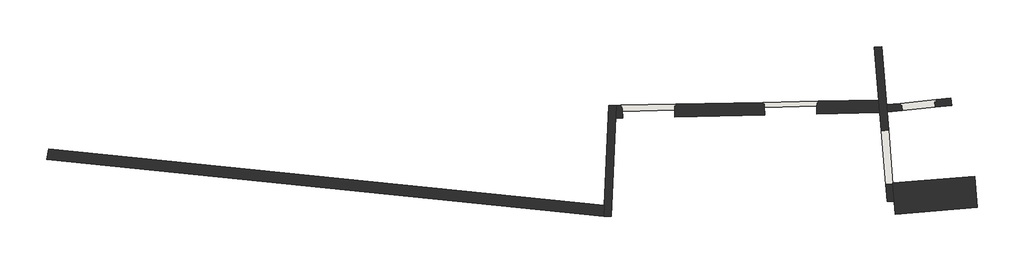
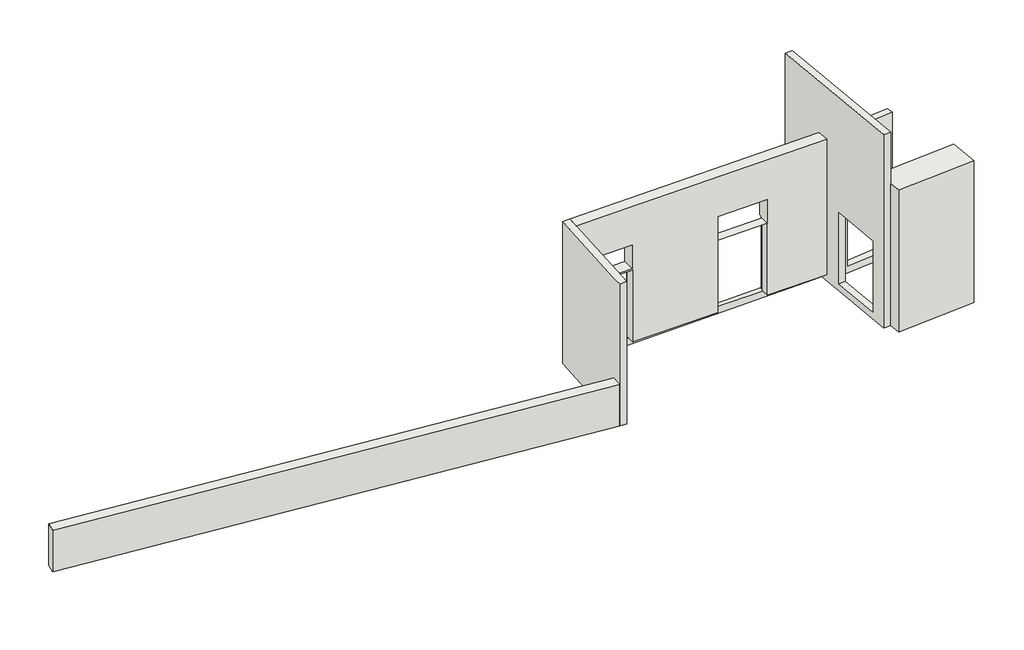
# One storey, part 1 of 3: 6 walls.
"""IFC4 building model written with IfcOpenShell, lengths in millimetres."""

from ifc_helpers import new_model, si_unit, point, frame, frame_2d, origin, place, context, project, spatial, polyline, circle_curve, trimmed, segment, composite_curve, outline, extrude, faceted_brep, element, save
from ifc_brep_helpers import plane_surface, cylinder_surface, advanced_brep

model = new_model("IFC4")

# Units and contexts
model_context = context("Model", 3, world=origin())
ifc_project = project(units=[si_unit("LENGTHUNIT", "METRE", prefix="MILLI")], contexts=[model_context])

# Site, building, storey
site = spatial("IfcSite", under=ifc_project)
building = spatial("IfcBuilding", under=site)
storey = spatial("IfcBuildingStorey", under=building, Elevation=-8200.0)

# Walls
placement = place(None, origin())
element("IfcWall", 1, at=placement, inside=storey, context=model_context, shape_type="AdvancedBrep", body=[
    advanced_brep(
    [(-1890.0272757, 1280.8710596, -8200.0), (-1763.4774043, 4131.8339505, -8200.0), (-1755.7370189, 4306.2122513, -8200.0), (-1755.7370189, 4306.2122513, -3950.0), (-1771.2904477, 3955.8187826, -3950.0), (-1890.0272757, 1280.8710596, -3950.0), (-2090.1047863, 1283.5615353, -8200.0), (-2090.1047863, 1283.5615353, -6950.0), (-2090.1047863, 1283.5615353, -4350.0), (-2090.1047863, 1283.5615353, -3950.0), (-2076.7954218, 1583.3998811, -3950.0), (-1956.1167192, 4302.0948835, -3950.0), (-1956.1167192, 4302.0948835, -8200.0), (-2076.7954269, 1583.3997669, -8200.0)],
    [
        (0, 1),
        (1, 2),
        (2, 3),
        (3, 4),
        (4, 5),
        (5, 0),
        (6, 7),
        (7, 8),
        (8, 9),
        (9, 10),
        (10, 11),
        (11, 12),
        (12, 13),
        (13, 6),
        (0, 6, circle_curve(frame((-809.2015244, 89097.3275321, -8200.0), z_axis=(0.0, 0.0, -1.0), x_axis=(1.0, 0.0, 0.0)), 87823.1075042)),
        (12, 2),
        (3, 11),
        (9, 5, circle_curve(frame((-809.2015244, 89097.3275321, -3950.0), z_axis=(0.0, 0.0, 1.0), x_axis=(1.0, 0.0, 0.0)), 87823.1075042)),
    ],
    [
        plane_surface(frame((-1881.3539037, 1476.268033, -8200.0), z_axis=(0.99901628545863, -0.04434480114332784, 0.0), x_axis=(0.04434480114332784, 0.99901628545863, 0.0))),
        plane_surface(frame((-2081.1571608, 1485.1369933, -8200.0), z_axis=(-0.99901628545863, 0.04434480114332784, 0.0), x_axis=(-0.04434480114332784, -0.99901628545863, 0.0))),
        plane_surface(frame((-1883.5120256, 1427.6490535, -8200.0), z_axis=(0.0, 0.0, -1.0), x_axis=(-0.99901628545863, 0.044344801143327395, 0.0))),
        plane_surface(frame((-1763.8019549, 4124.5223529, -3950.0), z_axis=(0.0, 0.0, 1.0), x_axis=(-0.99901628545863, 0.044344801143327395, 0.0))),
        plane_surface(frame((-1997.6601886, 4301.2412553, -8200.0), z_axis=(-0.020543492911438144, 0.9997889601805962, 0.0), x_axis=(-0.9997889601805962, -0.020543492911438144, 0.0))),
        cylinder_surface(frame((-809.2015244, 89097.3275321, -8200.0), z_axis=(0.0, 0.0, 1.0), x_axis=(1.0, 0.0, 0.0)), 87823.1075042),
    ],
    [
        (0, [[1, 2, 3, 4, 5, 6]]),
        (1, [[7, 8, 9, 10, 11, 12, 13, 14]]),
        (2, [[-2, -1, 15, -14, -13, 16]]),
        (3, [[-5, -4, 17, -11, -10, 18]]),
        (4, [[-3, -16, -12, -17]]),
        (5, [[-6, -18, -9, -8, -7, -15]]),
    ],
),
])
element("IfcWall", 2, at=placement, inside=storey, context=model_context, shape_type="Brep", body=[
    faceted_brep([(5411.0743062, 4103.4007877, -3950.0), (117.8920691, 3994.6373825, -3950.0), (-7.1079309, 3992.0689039, -3950.0), (-1771.2904477, 3955.8187826, -3950.0), (-1771.2904477, 3955.8187826, -8000.0), (-1581.5922871, 3959.716668, -8000.0), (-1581.5922871, 3959.716668, -5840.0), (-161.8919637, 3988.888428, -5840.0), (-161.8919637, 3988.888428, -8000.0), (-7.1079309, 3992.0689039, -8000.0), (117.8920691, 3994.6373825, -8000.0), (2282.6545308, 4039.1185521, -8000.0), (2282.6545308, 4039.1185521, -5840.0), (3702.3548542, 4068.290312, -5840.0), (3702.3548542, 4068.290312, -8000.0), (5411.0743062, 4103.4007877, -8000.0), (-1571.5943975, 3959.922103, -5795.691556), (-1571.5943975, 3959.922103, -5095.691556), (-171.8898533, 3988.682993, -5095.691556), (-171.8898533, 3988.682993, -5795.691556), (2292.6524204, 4039.323987, -5834.3455201), (2292.6524204, 4039.323987, -5134.3455201), (3692.3569646, 4068.0848771, -5134.3455201), (3692.3569646, 4068.0848771, -5834.3455201), (5382.2307444, 4452.8819946, -8200.0), (-1755.7370189, 4306.2122513, -8200.0), (-1755.7370189, 4306.2122513, -3950.0), (5382.2307444, 4452.8819946, -3950.0), (-1578.7846201, 4309.848239, -5095.691556), (-1578.7846201, 4309.848239, -5795.691556), (-179.0800758, 4338.6091291, -5795.691556), (-179.0800758, 4338.6091291, -5095.691556), (2285.4621979, 4389.2501231, -5134.3455201), (2285.4621979, 4389.2501231, -5800.0), (2235.4727498, 4388.2229485, -5800.0), (2235.4727498, 4388.2229485, -8000.0), (3735.1561901, 4419.0381878, -8000.0), (3735.1561901, 4419.0381878, -5800.0), (3685.1667421, 4418.0110132, -5800.0), (3685.1667421, 4418.0110132, -5134.3455201), (-1628.7740681, 4308.8210644, -8000.0), (-129.0906278, 4339.6363037, -8000.0), (-129.0906278, 4339.6363037, -5800.0), (-1628.7740681, 4308.8210644, -5800.0), (5391.7754303, 4337.2344068, -8200.0), (5162.6768099, 4330.6578451, -8200.0), (-1763.4774043, 4131.8339505, -8200.0), (5391.7754303, 4337.2344068, -8000.0), (-1586.7281604, 4209.6639081, -5840.0), (-167.0278369, 4238.835668, -5840.0), (2277.5186575, 4289.0657921, -5840.0), (3697.218981, 4318.2375521, -5840.0), (-1763.4774043, 4131.8339505, -8000.0), (-1585.2340607, 4136.950648, -8000.0), (-165.7715924, 4177.6980884, -8000.0), (2278.3653453, 4247.8600874, -8000.0), (3697.8278137, 4288.6075278, -8000.0), (2287.5165471, 4289.2712271, -5834.3455201), (2287.5165471, 4289.2712271, -5830.0), (2286.4893725, 4339.2606751, -5830.0), (2286.4893725, 4339.2606751, -5800.0), (3686.1939168, 4368.0215652, -5800.0), (3686.1939168, 4368.0215652, -5830.0), (3687.2210914, 4318.0321172, -5830.0), (3687.2210914, 4318.0321172, -5834.3455201), (-167.0278369, 4238.835668, -8000.0), (-157.0299473, 4239.0411029, -8000.0), (-158.057122, 4289.030551, -8000.0), (-128.0634531, 4289.6468557, -8000.0), (-1627.7468934, 4258.8316164, -8000.0), (-1597.7532246, 4259.4479212, -8000.0), (-1596.72605, 4209.4584731, -8000.0), (-1586.7281604, 4209.6639081, -8000.0), (-128.0634531, 4289.6468557, -5800.0), (-158.057122, 4289.030551, -5830.0), (-1597.7532246, 4259.4479212, -5830.0), (-1627.7468934, 4258.8316164, -5800.0), (-1596.72605, 4209.4584731, -5830.0), (-157.0299473, 4239.0411029, -5830.0), (3697.218981, 4318.2375521, -8000.0), (3707.2168706, 4318.442987, -8000.0), (3706.189696, 4368.432435, -8000.0), (3736.1833648, 4369.0487398, -8000.0), (2236.4999245, 4338.2335004, -8000.0), (2266.4935933, 4338.8498052, -8000.0), (2267.5207679, 4288.8603572, -8000.0), (2277.5186575, 4289.0657921, -8000.0), (3736.1833648, 4369.0487398, -5800.0), (3706.189696, 4368.432435, -5830.0), (2236.4999245, 4338.2335004, -5800.0), (2266.4935933, 4338.8498052, -5830.0), (2267.5207679, 4288.8603572, -5830.0), (3707.2168706, 4318.442987, -5830.0)], [[[0, 1, 2, 3, 4, 5, 6, 7, 8, 9, 10, 11, 12, 13, 14, 15], [16, 17, 18, 19], [20, 21, 22, 23]], [[24, 25, 26, 27], [28, 29, 30, 31], [32, 33, 34, 35, 36, 37, 38, 39], [40, 41, 42, 43]], [[25, 24, 44, 45, 46]], [[3, 2, 1, 0, 27, 26]], [[24, 27, 0, 15, 47, 44]], [[7, 6, 48, 49]], [[13, 12, 50, 51]], [[3, 26, 25, 46, 52, 4]], [[52, 53, 5, 4]], [[54, 55, 11, 10, 9, 8]], [[56, 47, 15, 14]], [[55, 54, 53, 52, 46, 45, 44, 47, 56]], [[17, 16, 29, 28]], [[18, 17, 28, 31]], [[19, 18, 31, 30]], [[16, 19, 30, 29]], [[20, 57, 58, 59, 60, 33, 32, 21]], [[21, 32, 39, 22]], [[22, 39, 38, 61, 62, 63, 64, 23]], [[57, 20, 23, 64]], [[65, 66, 67, 68, 41, 40, 69, 70, 71, 72, 53, 54]], [[49, 65, 54, 8, 7]], [[72, 48, 6, 5, 53]], [[73, 68, 67, 74, 75, 70, 69, 76]], [[71, 70, 75, 77]], [[77, 78, 66, 65, 49, 48, 72, 71]], [[76, 69, 40, 43]], [[78, 77, 75, 74]], [[73, 76, 43, 42]], [[74, 67, 66, 78]], [[68, 73, 42, 41]], [[79, 80, 81, 82, 36, 35, 83, 84, 85, 86, 55, 56]], [[51, 79, 56, 14, 13]], [[86, 50, 12, 11, 55]], [[87, 82, 81, 88, 62, 61]], [[83, 89, 60, 59, 90, 84]], [[85, 84, 90, 91]], [[51, 50, 86, 85, 91, 58, 57, 64, 63, 92, 80, 79]], [[89, 83, 35, 34]], [[91, 90, 59, 58]], [[88, 92, 63, 62]], [[89, 34, 33, 60]], [[37, 87, 61, 38]], [[88, 81, 80, 92]], [[82, 87, 37, 36]]]),
])
element("IfcWall", 3, at=placement, inside=storey, context=model_context, shape_type="SweptSolid", body=[
    extrude(outline(composite_curve([segment(polyline([(-17245.7217881, 2826.0170441), (-17189.575334, 3120.7161715)]), True, "CONTINUOUS"), segment(trimmed(circle_curve(frame_2d((-809.2015244, 89097.3275321)), 87523.1075042), [point((-17189.575334, 3120.7161715))], [point((-2076.7954269, 1583.3997669))], True, "CARTESIAN"), True, "CONTINUOUS"), segment(polyline([(-2076.7954269, 1583.3997669), (-2090.1047863, 1283.5615353)]), True, "CONTINUOUS"), segment(trimmed(circle_curve(frame_2d((-809.2015244, 89097.3275321)), 87823.1075042), [point((-2090.1047863, 1283.5615353))], [point((-17245.7217881, 2826.0170441))], False, "CARTESIAN"), True, "CONTINUOUS")], self_intersect=False)), frame((0.0, 0.0, -8200.0), z_axis=(0.0, 0.0, 1.0), x_axis=(1.0, 0.0, 0.0)), (0.0, 0.0, 1.0), 1250.0),
])
element("IfcWall", 4, ObjectType="Generico - 20 cm", at=placement, inside=storey, context=model_context, shape_type="Brep", body=[
    faceted_brep([(5810.9324519, 1690.0713441, -8200.0), (5769.9881158, 2186.1708249, -8200.0), (5610.2664391, 4121.4285029, -8200.0), (5593.8125362, 4320.7911854, -8200.0), (5479.1101672, 5710.5752451, -8200.0), (5462.6595896, 5909.8976372, -8200.0), (5462.6595896, 5909.8976372, -2409.3878511), (5810.9324519, 1690.0713441, -2409.3878511), (5810.9324519, 1690.0713441, -3950.0), (5810.9324519, 1690.0713441, -8000.0), (5651.0089213, 3627.7747723, -8000.0), (5771.9206103, 2162.755877, -8000.0), (5771.9206103, 2162.755877, -5865.0), (5651.0089213, 3627.7747723, -5865.0), (5610.8262393, 1683.1190187, -8200.0), (5610.8262393, 1683.1190187, -2409.3878511), (5263.3213633, 5893.6400527, -2409.3878511), (5263.3213633, 5893.6400527, -8200.0), (5382.2307444, 4452.8819946, -8200.0), (5391.7754303, 4337.2344068, -8200.0), (5451.6866226, 3611.3242023, -8000.0), (5451.6866226, 3611.3242023, -5865.0), (5572.5983116, 2146.3053071, -5865.0), (5572.5983116, 2146.3053071, -8000.0)], [[[0, 1, 2, 3, 4, 5, 6, 7, 8, 9], [10, 11, 12, 13]], [[14, 15, 16, 17, 18, 19], [20, 21, 22, 23]], [[5, 4, 3, 2, 1, 0, 14, 19, 18, 17]], [[7, 6, 16, 15]], [[6, 5, 17, 16]], [[0, 9, 8, 7, 15, 14]], [[21, 20, 10, 13]], [[22, 21, 13, 12]], [[23, 22, 12, 11]], [[20, 23, 11, 10]]]),
])
element("IfcWall", 5, ObjectType="Generico - 20 cm", at=placement, inside=storey, context=model_context, shape_type="Brep", body=[
    faceted_brep([(5610.2664391, 4121.4285029, -8200.0), (7364.9806988, 4301.8732531, -8200.0), (7364.9806988, 4301.8732531, -3950.0), (5610.2664391, 4121.4285029, -3950.0), (6030.0158731, 4164.5931272, -5900.0), (6925.2945869, 4256.6584552, -5900.0), (6925.2945869, 4256.6584552, -8000.0), (6030.0158731, 4164.5931272, -8000.0), (7344.521737, 4500.8240784, -8200.0), (5593.8125362, 4320.7911854, -8200.0), (5593.8125362, 4320.7911854, -3950.0), (7344.521737, 4500.8240784, -3950.0), (5964.7929757, 4358.9406861, -8000.0), (6949.5995608, 4460.2125469, -8000.0), (6949.5995608, 4460.2125469, -5855.0), (5964.7929757, 4358.9406861, -5855.0), (6015.6945999, 4303.8587049, -5900.0), (6910.9733137, 4395.9240329, -5900.0), (5970.9306642, 4299.2554385, -8000.0), (6015.6945999, 4303.8587049, -8000.0), (6910.9733137, 4395.9240329, -8000.0), (6955.7372494, 4400.5272993, -8000.0), (5970.9306642, 4299.2554385, -5855.0), (6955.7372494, 4400.5272993, -5855.0)], [[[0, 1, 2, 3], [4, 5, 6, 7]], [[8, 9, 10, 11], [12, 13, 14, 15]], [[1, 0, 9, 8]], [[2, 1, 8, 11]], [[3, 2, 11, 10]], [[0, 3, 10, 9]], [[4, 16, 17, 5]], [[12, 18, 19, 7, 6, 20, 21, 13]], [[16, 4, 7, 19]], [[5, 17, 20, 6]], [[17, 16, 19, 18, 22, 23, 21, 20]], [[18, 12, 15, 22]], [[23, 22, 15, 14]], [[13, 21, 23, 14]]]),
])
element("IfcWall", 6, ObjectType="Generico - 85 cm", at=placement, inside=storey, context=model_context, shape_type="Brep", body=[
    faceted_brep([(7998.5249332, 2370.4192676, -8200.0), (5769.9881158, 2186.1708249, -8200.0), (5769.9881158, 2186.1708249, -3950.0), (7998.5249332, 2370.4192676, -3950.0), (8068.5613124, 1523.3095312, -8200.0), (8068.5613124, 1523.3095312, -3950.0), (5839.9030387, 1339.0510468, -3950.0), (5839.9030387, 1339.0510468, -8200.0), (5810.9324519, 1690.0713441, -8200.0), (5810.9324519, 1690.0713441, -3950.0)], [[[0, 1, 2, 3]], [[4, 5, 6, 7]], [[1, 0, 4, 7, 8]], [[3, 2, 9, 6, 5]], [[0, 3, 5, 4]], [[2, 1, 8, 7, 6, 9]]]),
])

save(model, "model.ifc")
